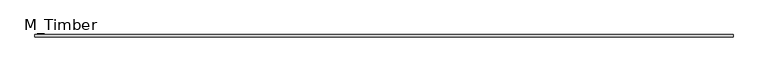
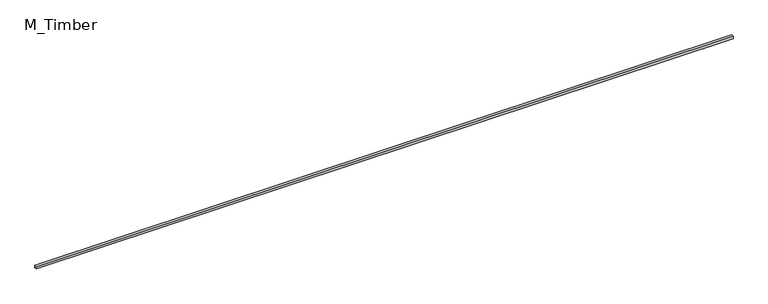
"""IFC4 building model written with IfcOpenShell, lengths in millimetres: beam geometry, M_Timber."""

from ifc_helpers import new_model, si_unit, frame, origin, place, context, project, spatial, polyline, outline, extrude, source, transform, mapped, element, save


def m_timber_3d70aa0d(model_context):
    return source(origin(), model_context, "Body", "SweptSolid", [
        extrude(outline(polyline([(5478.8927035, 20.0), (5478.8927035, -20.0), (-5478.8927035, -20.0), (-5478.8927035, 20.0), (5478.8927035, 20.0)])), frame((0.0, 0.0, -20.0), z_axis=(0.0, 0.0, 1.0), x_axis=(1.0, 0.0, 0.0)), (0.0, 0.0, 1.0), 40.0),
    ])


if __name__ == "__main__":
    model = new_model("IFC4")
    model_context = context("Model", 3, world=origin())
    ifc_project = project(units=[si_unit("LENGTHUNIT", "METRE", prefix="MILLI")], contexts=[model_context])
    site = spatial("IfcSite", under=ifc_project)
    building = spatial("IfcBuilding", under=site)
    placement = place(None, origin())
    m_timber_shape = m_timber_3d70aa0d(model_context)
    element("IfcBeam", 1, ObjectType="M_Timber", at=placement, inside=building, context=model_context, shape_type="MappedRepresentation", body=[
        mapped(m_timber_shape, transform((0.0, 0.0, 0.0), x_axis=(1.0, 0.0, 0.0), y_axis=(0.0, 1.0, 0.0), z_axis=(0.0, 0.0, 1.0))),
    ])
    save(model, "model.ifc")
